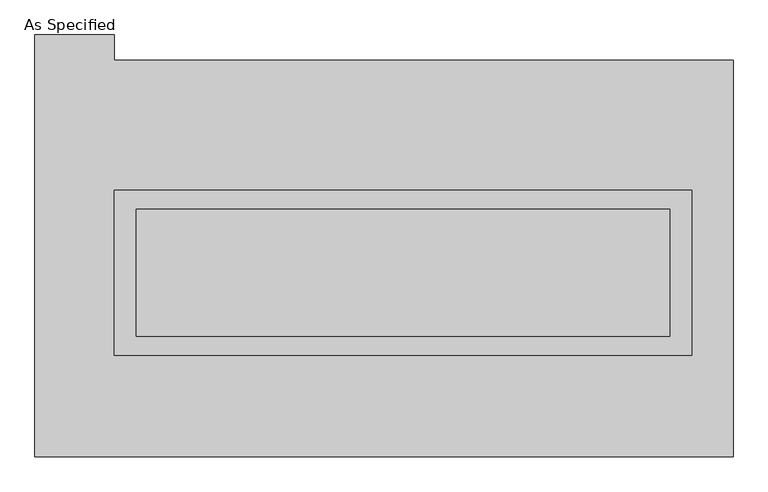
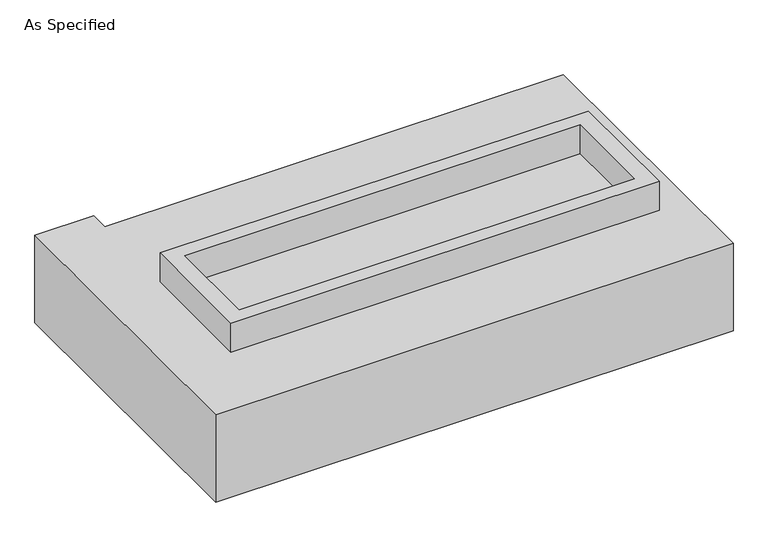
"""IFC4 building model written with IfcOpenShell, lengths in millimetres: proxy geometry, As Specified."""

from ifc_helpers import new_model, si_unit, frame, origin, place, context, project, spatial, polyline, outline, extrude, faceted_brep, source, transform, mapped, element, save


def as_specified_5c589388(model_context):
    return source(origin(), model_context, "Body", "SolidModel", [
        extrude(outline(polyline([(1155.7, 273.05), (1155.7, -387.35), (-1155.7, -387.35), (-1155.7, 273.05), (1155.7, 273.05)]), holes=[polyline([(1066.8, 196.85), (-1066.8, 196.85), (-1066.8, -311.15), (1066.8, -311.15), (1066.8, 196.85)])]), frame((0.0, 0.0, -25.4), z_axis=(0.0, 0.0, 1.0), x_axis=(1.0, 0.0, 0.0)), (0.0, 0.0, 1.0), 165.1),
        extrude(outline(polyline([(1066.8, 196.85), (1066.8, -311.15), (-1066.8, -311.15), (-1066.8, 196.85), (1066.8, 196.85)])), frame((0.0, 0.0, -30.3609375), z_axis=(0.0, 0.0, 1.0), x_axis=(1.0, 0.0, 0.0)), (0.0, 0.0, 1.0), 4.9609375),
        faceted_brep([(1320.8, -793.75, -523.875), (-1473.2, -793.75, -523.875), (-1473.2, 895.35, -523.875), (-1155.7, 895.35, -523.875), (-1155.7, 793.75, -523.875), (1320.8, 793.75, -523.875), (-1473.2, -793.75, -25.4), (1320.8, -793.75, -25.4), (1320.8, 793.75, -25.4), (-1155.7, 793.75, -25.4), (-1155.7, 895.35, -25.4), (-1473.2, 895.35, -25.4), (-1155.7, -387.35, -25.4), (-1155.7, 273.05, -25.4), (1155.7, 273.05, -25.4), (1155.7, -387.35, -25.4), (1155.7, 273.05, -498.475), (-1155.7, 273.05, -498.475), (-1155.7, -387.35, -498.475), (1155.7, -387.35, -498.475)], [[[0, 1, 2, 3, 4, 5]], [[6, 7, 8, 9, 10, 11], [12, 13, 14, 15]], [[8, 5, 4, 9]], [[2, 1, 6, 11]], [[5, 8, 7, 0]], [[16, 17, 18, 19]], [[18, 17, 13, 12]], [[17, 16, 14, 13]], [[16, 19, 15, 14]], [[12, 15, 19, 18]], [[1, 0, 7, 6]], [[4, 3, 10, 9]], [[3, 2, 11, 10]]]),
    ])


if __name__ == "__main__":
    model = new_model("IFC4")
    model_context = context("Model", 3, world=origin())
    ifc_project = project(units=[si_unit("LENGTHUNIT", "METRE", prefix="MILLI")], contexts=[model_context])
    site = spatial("IfcSite", under=ifc_project)
    building = spatial("IfcBuilding", under=site)
    placement = place(None, origin())
    as_specified_shape = as_specified_5c589388(model_context)
    element("IfcBuildingElementProxy", 1, Name="As Specified", ObjectType="As Specified", at=placement, inside=building, context=model_context, shape_type="MappedRepresentation", body=[
        mapped(as_specified_shape, transform((0.0, 0.0, 0.0), x_axis=(1.0, 0.0, 0.0), y_axis=(0.0, 1.0, 0.0), z_axis=(0.0, 0.0, 1.0))),
    ])
    save(model, "model.ifc")
